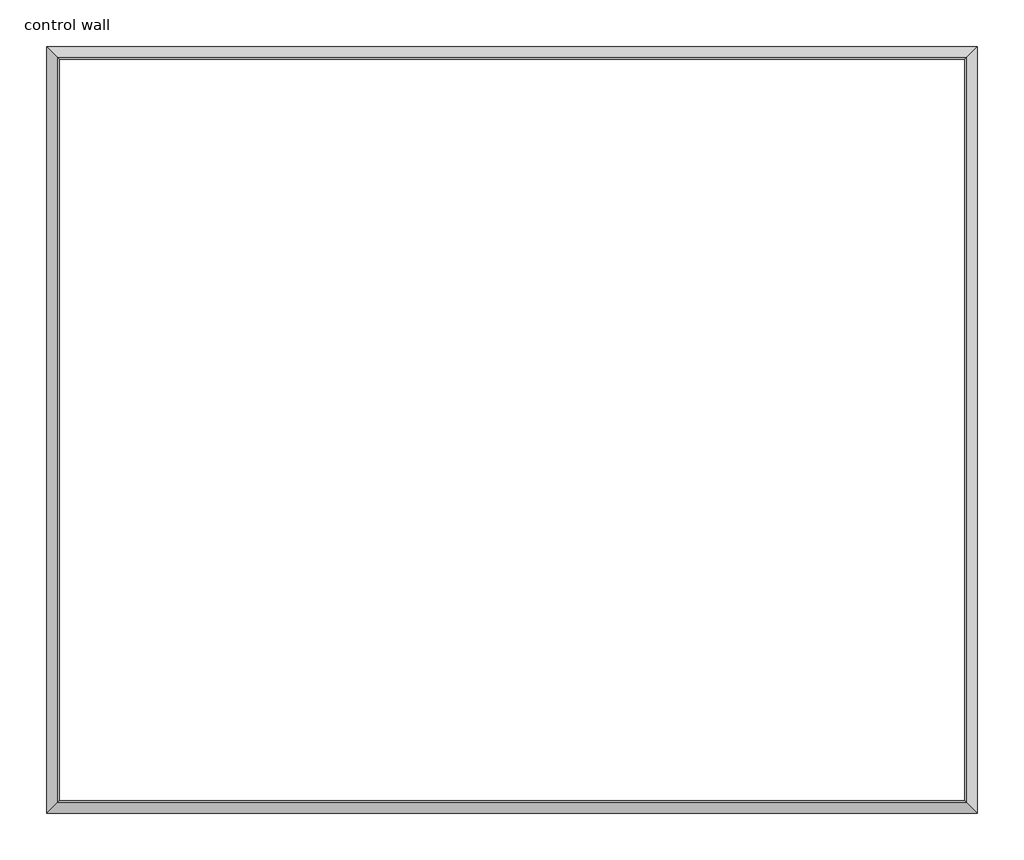
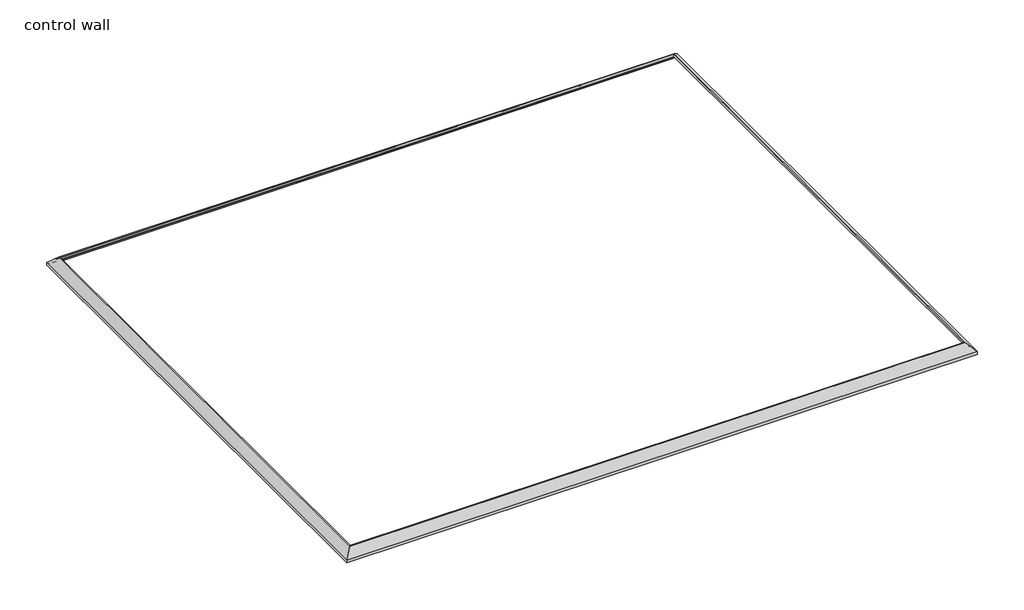
# One storey: 4 proxies.
"""IFC4 building model written with IfcOpenShell, lengths in millimetres."""

from ifc_helpers import new_model, si_unit, frame, origin, place, context, project, spatial, polyline, ellipse_curve, element, save
from ifc_brep_helpers import plane_surface, cylinder_surface, revolved_surface, advanced_brep

model = new_model("IFC4")

# Units and contexts
model_context = context("Model", 3, world=origin())
ifc_project = project(units=[si_unit("LENGTHUNIT", "METRE", prefix="MILLI")], contexts=[model_context])

# Site, building, storey
site = spatial("IfcSite", under=ifc_project)
building = spatial("IfcBuilding", under=site)
storey = spatial("IfcBuildingStorey", under=building, Name="control wall", Elevation=2133.6)

# Proxies
placement = place(None, origin())
element("IfcBuildingElementProxy", 1, Name="Wall Sweeps", at=placement, inside=storey, context=model_context, shape_type="AdvancedBrep", body=[
    advanced_brep(
    [(18403.6457418, -12619.9468508, 2982.9793892), (18403.6457418, -12619.9468508, 2959.1), (18412.6259979, -12628.9271069, 2959.1), (18412.6259979, -12628.9271069, 2968.0802561), (18426.0963821, -12642.3974911, 2981.5506403), (18426.0963821, -12642.3974911, 2987.9006403), (18446.6210619, -12662.922171, 3008.4253202), (18467.1457418, -12683.4468508, 3028.95), (18476.7690506, -12693.0701596, 3028.95), (18476.7690506, -12693.0701596, 3048.0), (18468.6663526, -12684.9674616, 3048.0), (23737.8743309, -12619.9468508, 2982.9793892), (23672.8537201, -12684.9674616, 3048.0), (23664.7510221, -12693.0701596, 3048.0), (23664.7510221, -12693.0701596, 3028.95), (23674.3743309, -12683.4468508, 3028.95), (23694.8990108, -12662.922171, 3008.4253202), (23715.4236906, -12642.3974911, 2987.9006403), (23715.4236906, -12642.3974911, 2981.5506403), (23728.8940748, -12628.9271069, 2968.0802561), (23728.8940748, -12628.9271069, 2959.1), (23737.8743309, -12619.9468508, 2959.1)],
    [
        (0, 1),
        (1, 2),
        (2, 3),
        (3, 4, ellipse_curve(frame((18426.0963821, -12642.3974911, 2968.0802561), z_axis=(0.7071067811865476, 0.7071067811865476, 0.0), x_axis=(0.7071067811865474, -0.7071067811865476, 0.0)), 19.05, 13.4703842)),
        (4, 5),
        (5, 6, ellipse_curve(frame((18426.0963821, -12642.3974911, 3008.4253202), z_axis=(-0.7071067811865476, -0.7071067811865476, 0.0), x_axis=(-0.7071067811865474, 0.7071067811865476, 0.0)), 29.0262806, 20.5246798)),
        (6, 7, ellipse_curve(frame((18467.1457418, -12683.4468508, 3008.4253202), z_axis=(0.7071067811865476, 0.7071067811865476, 0.0), x_axis=(0.7071067811865474, -0.7071067811865476, 0.0)), 29.0262806, 20.5246798)),
        (7, 8),
        (8, 9),
        (9, 10),
        (10, 0),
        (11, 12),
        (12, 13),
        (13, 14),
        (14, 15),
        (15, 16, ellipse_curve(frame((23674.3743309, -12683.4468508, 3008.4253202), z_axis=(-0.707106781186544, 0.7071067811865511, 0.0), x_axis=(0.7071067811865509, 0.7071067811865441, 0.0)), 29.0262806, 20.5246798)),
        (16, 17, ellipse_curve(frame((23715.4236906, -12642.3974911, 3008.4253202), z_axis=(0.707106781186544, -0.7071067811865511, 0.0), x_axis=(-0.7071067811865509, -0.7071067811865441, 0.0)), 29.0262806, 20.5246798)),
        (17, 18),
        (18, 19, ellipse_curve(frame((23715.4236906, -12642.3974911, 2968.0802561), z_axis=(-0.707106781186544, 0.7071067811865511, 0.0), x_axis=(0.7071067811865509, 0.7071067811865441, 0.0)), 19.05, 13.4703842)),
        (19, 20),
        (20, 21),
        (21, 11),
        (0, 11),
        (21, 1),
        (20, 2),
        (19, 3),
        (18, 4),
        (17, 5),
        (16, 6),
        (15, 7),
        (14, 8),
        (13, 9),
        (12, 10),
    ],
    [
        plane_surface(frame((18403.6457418, -12619.9468508, 3263.9), z_axis=(-0.7071067811865476, -0.7071067811865476, 0.0), x_axis=(0.7071067811865476, -0.7071067811865476, 0.0))),
        plane_surface(frame((23737.8743309, -12619.9468508, 3263.9), z_axis=(0.707106781186544, -0.7071067811865511, 0.0), x_axis=(-0.7071067811865511, -0.707106781186544, 0.0))),
        plane_surface(frame((18403.6457418, -12619.9468508, 2982.9793892), z_axis=(0.0, 1.0, 0.0), x_axis=(1.0, 0.0, 0.0))),
        plane_surface(frame((18403.6457418, -12619.9468508, 2959.1), z_axis=(0.0, 0.0, -1.0), x_axis=(1.0, 0.0, 0.0))),
        plane_surface(frame((18412.6259979, -12628.9271069, 2959.1), z_axis=(0.0, -1.0, 0.0), x_axis=(1.0, 0.0, 0.0))),
        revolved_surface(polyline([(23728.8940748, -12655.8678753, 2968.0802561), (18412.6259979, -12655.8678753, 2968.0802561)]), (18403.6457418, -12642.3974911, 2968.0802561), (1.0, 0.0, 0.0)),
        plane_surface(frame((18426.0963821, -12642.3974911, 2981.5506403), z_axis=(0.0, -1.0, 0.0), x_axis=(1.0, 0.0, 0.0))),
        cylinder_surface(frame((18403.6457418, -12642.3974911, 3008.4253202), z_axis=(-1.0, 0.0, 0.0), x_axis=(0.0, -1.0, 0.0)), 20.5246798),
        revolved_surface(polyline([(23694.8990108, -12703.971530600002, 3008.4253202), (18446.6210619, -12703.971530600002, 3008.4253202)]), (18403.6457418, -12683.4468508, 3008.4253202), (1.0, 0.0, 0.0)),
        plane_surface(frame((18467.1457418, -12683.4468508, 3028.95), z_axis=(0.0, 0.0, -1.0), x_axis=(1.0, 0.0, 0.0))),
        plane_surface(frame((18476.7690506, -12693.0701596, 3028.95), z_axis=(0.0, -1.0, 0.0), x_axis=(1.0, 0.0, 0.0))),
        plane_surface(frame((18476.7690506, -12693.0701596, 3048.0), z_axis=(0.0, 0.0, 1.0), x_axis=(1.0, 0.0, 0.0))),
        plane_surface(frame((18468.6663526, -12684.9674616, 3048.0), z_axis=(0.0, 0.707106781186547, 0.707106781186548), x_axis=(1.0, 0.0, 0.0))),
    ],
    [
        (0, [[1, 2, 3, 4, 5, 6, 7, 8, 9, 10, 11]]),
        (1, [[12, 13, 14, 15, 16, 17, 18, 19, 20, 21, 22]]),
        (2, [[-1, 23, -22, 24]]),
        (3, [[-2, -24, -21, 25]]),
        (4, [[-3, -25, -20, 26]]),
        (5, [[-4, -26, -19, 27]]),
        (6, [[-5, -27, -18, 28]]),
        (7, [[-6, -28, -17, 29]]),
        (8, [[-7, -29, -16, 30]]),
        (9, [[-8, -30, -15, 31]]),
        (10, [[-9, -31, -14, 32]]),
        (11, [[-10, -32, -13, 33]]),
        (12, [[-11, -33, -12, -23]]),
    ],
),
])
element("IfcBuildingElementProxy", 2, Name="Wall Sweeps", at=placement, inside=storey, context=model_context, shape_type="AdvancedBrep", body=[
    advanced_brep(
    [(18403.6457418, -17014.2559227, 2982.9793892), (18403.6457418, -17014.2559227, 2959.1), (18412.6259979, -17005.2756666, 2959.1), (18412.6259979, -17005.2756666, 2968.0802561), (18426.0963821, -16991.8052824, 2981.5506403), (18426.0963821, -16991.8052824, 2987.9006403), (18446.6210619, -16971.2806026, 3008.4253202), (18467.1457418, -16950.7559227, 3028.95), (18476.7690506, -16941.1326139, 3028.95), (18476.7690506, -16941.1326139, 3048.0), (18468.6663526, -16949.2353119, 3048.0), (18403.6457418, -12619.9468508, 2982.9793892), (18468.6663526, -12684.9674616, 3048.0), (18476.7690506, -12693.0701596, 3048.0), (18476.7690506, -12693.0701596, 3028.95), (18467.1457418, -12683.4468508, 3028.95), (18446.6210619, -12662.922171, 3008.4253202), (18426.0963821, -12642.3974911, 2987.9006403), (18426.0963821, -12642.3974911, 2981.5506403), (18412.6259979, -12628.9271069, 2968.0802561), (18412.6259979, -12628.9271069, 2959.1), (18403.6457418, -12619.9468508, 2959.1)],
    [
        (0, 1),
        (1, 2),
        (2, 3),
        (3, 4, ellipse_curve(frame((18426.0963821, -16991.8052824, 2968.0802561), z_axis=(-0.7071067811865476, 0.7071067811865476, 0.0), x_axis=(0.7071067811865476, 0.7071067811865474, 0.0)), 19.05, 13.4703842)),
        (4, 5),
        (5, 6, ellipse_curve(frame((18426.0963821, -16991.8052824, 3008.4253202), z_axis=(0.7071067811865476, -0.7071067811865476, 0.0), x_axis=(-0.7071067811865476, -0.7071067811865474, 0.0)), 29.0262806, 20.5246798)),
        (6, 7, ellipse_curve(frame((18467.1457418, -16950.7559227, 3008.4253202), z_axis=(-0.7071067811865476, 0.7071067811865476, 0.0), x_axis=(0.7071067811865476, 0.7071067811865474, 0.0)), 29.0262806, 20.5246798)),
        (7, 8),
        (8, 9),
        (9, 10),
        (10, 0),
        (11, 12),
        (12, 13),
        (13, 14),
        (14, 15),
        (15, 16, ellipse_curve(frame((18467.1457418, -12683.4468508, 3008.4253202), z_axis=(-0.7071067811865476, -0.7071067811865476, 0.0), x_axis=(-0.7071067811865476, 0.7071067811865474, 0.0)), 29.0262806, 20.5246798)),
        (16, 17, ellipse_curve(frame((18426.0963821, -12642.3974911, 3008.4253202), z_axis=(0.7071067811865476, 0.7071067811865476, 0.0), x_axis=(0.7071067811865476, -0.7071067811865474, 0.0)), 29.0262806, 20.5246798)),
        (17, 18),
        (18, 19, ellipse_curve(frame((18426.0963821, -12642.3974911, 2968.0802561), z_axis=(-0.7071067811865476, -0.7071067811865476, 0.0), x_axis=(-0.7071067811865476, 0.7071067811865474, 0.0)), 19.05, 13.4703842)),
        (19, 20),
        (20, 21),
        (21, 11),
        (0, 11),
        (21, 1),
        (20, 2),
        (19, 3),
        (18, 4),
        (17, 5),
        (16, 6),
        (15, 7),
        (14, 8),
        (13, 9),
        (12, 10),
    ],
    [
        plane_surface(frame((18403.6457418, -17014.2559227, 3263.9), z_axis=(0.7071067811865476, -0.7071067811865476, 0.0), x_axis=(0.7071067811865476, 0.7071067811865476, 0.0))),
        plane_surface(frame((18403.6457418, -12619.9468508, 3263.9), z_axis=(0.7071067811865476, 0.7071067811865476, 0.0), x_axis=(0.7071067811865476, -0.7071067811865476, 0.0))),
        plane_surface(frame((18403.6457418, -17014.2559227, 2982.9793892), z_axis=(-1.0, 0.0, 0.0), x_axis=(0.0, 1.0, 0.0))),
        plane_surface(frame((18403.6457418, -17014.2559227, 2959.1), z_axis=(0.0, 0.0, -1.0), x_axis=(0.0, 1.0, 0.0))),
        plane_surface(frame((18412.6259979, -17005.2756666, 2959.1), z_axis=(1.0, 0.0, 0.0), x_axis=(0.0, 1.0, 0.0))),
        revolved_surface(polyline([(18439.566766300002, -12628.9271069, 2968.0802561), (18439.566766300002, -17005.2756666, 2968.0802561)]), (18426.0963821, -17014.2559227, 2968.0802561), (0.0, 1.0, 0.0)),
        plane_surface(frame((18426.0963821, -16991.8052824, 2981.5506403), z_axis=(1.0, 0.0, 0.0), x_axis=(0.0, 1.0, 0.0))),
        cylinder_surface(frame((18426.0963821, -17014.2559227, 3008.4253202), z_axis=(0.0, -1.0, 0.0), x_axis=(1.0, 0.0, 0.0)), 20.5246798),
        revolved_surface(polyline([(18487.6704216, -12662.922170955117, 3008.4253202), (18487.6704216, -16971.2806026, 3008.4253202)]), (18467.1457418, -17014.2559227, 3008.4253202), (0.0, 1.0, 0.0)),
        plane_surface(frame((18467.1457418, -16950.7559227, 3028.95), z_axis=(0.0, 0.0, -1.0), x_axis=(0.0, 1.0, 0.0))),
        plane_surface(frame((18476.7690506, -16941.1326139, 3028.95), z_axis=(1.0, 0.0, 0.0), x_axis=(0.0, 1.0, 0.0))),
        plane_surface(frame((18476.7690506, -16941.1326139, 3048.0), z_axis=(0.0, 0.0, 1.0), x_axis=(0.0, 1.0, 0.0))),
        plane_surface(frame((18468.6663526, -16949.2353119, 3048.0), z_axis=(-0.707106781186547, 0.0, 0.707106781186548), x_axis=(0.0, 1.0, 0.0))),
    ],
    [
        (0, [[1, 2, 3, 4, 5, 6, 7, 8, 9, 10, 11]]),
        (1, [[12, 13, 14, 15, 16, 17, 18, 19, 20, 21, 22]]),
        (2, [[-1, 23, -22, 24]]),
        (3, [[-2, -24, -21, 25]]),
        (4, [[-3, -25, -20, 26]]),
        (5, [[-4, -26, -19, 27]]),
        (6, [[-5, -27, -18, 28]]),
        (7, [[-6, -28, -17, 29]]),
        (8, [[-7, -29, -16, 30]]),
        (9, [[-8, -30, -15, 31]]),
        (10, [[-9, -31, -14, 32]]),
        (11, [[-10, -32, -13, 33]]),
        (12, [[-11, -33, -12, -23]]),
    ],
),
])
element("IfcBuildingElementProxy", 3, Name="Wall Sweeps", at=placement, inside=storey, context=model_context, shape_type="AdvancedBrep", body=[
    advanced_brep(
    [(23737.8743309, -17014.2559227, 2982.9793892), (23737.8743309, -17014.2559227, 2959.1), (23728.8940748, -17005.2756666, 2959.1), (23728.8940748, -17005.2756666, 2968.0802561), (23715.4236906, -16991.8052824, 2981.5506403), (23715.4236906, -16991.8052824, 2987.9006403), (23694.8990108, -16971.2806026, 3008.4253202), (23674.3743309, -16950.7559227, 3028.95), (23664.7510221, -16941.1326139, 3028.95), (23664.7510221, -16941.1326139, 3048.0), (23672.8537201, -16949.2353119, 3048.0), (18403.6457418, -17014.2559227, 2982.9793892), (18468.6663526, -16949.2353119, 3048.0), (18476.7690506, -16941.1326139, 3048.0), (18476.7690506, -16941.1326139, 3028.95), (18467.1457418, -16950.7559227, 3028.95), (18446.6210619, -16971.2806026, 3008.4253202), (18426.0963821, -16991.8052824, 2987.9006403), (18426.0963821, -16991.8052824, 2981.5506403), (18412.6259979, -17005.2756666, 2968.0802561), (18412.6259979, -17005.2756666, 2959.1), (18403.6457418, -17014.2559227, 2959.1)],
    [
        (0, 1),
        (1, 2),
        (2, 3),
        (3, 4, ellipse_curve(frame((23715.4236906, -16991.8052824, 2968.0802561), z_axis=(-0.707106781186544, -0.7071067811865511, 0.0), x_axis=(-0.7071067811865509, 0.7071067811865441, 0.0)), 19.05, 13.4703842)),
        (4, 5),
        (5, 6, ellipse_curve(frame((23715.4236906, -16991.8052824, 3008.4253202), z_axis=(0.707106781186544, 0.7071067811865511, 0.0), x_axis=(0.7071067811865509, -0.7071067811865441, 0.0)), 29.0262806, 20.5246798)),
        (6, 7, ellipse_curve(frame((23674.3743309, -16950.7559227, 3008.4253202), z_axis=(-0.707106781186544, -0.7071067811865511, 0.0), x_axis=(-0.7071067811865509, 0.7071067811865441, 0.0)), 29.0262806, 20.5246798)),
        (7, 8),
        (8, 9),
        (9, 10),
        (10, 0),
        (11, 12),
        (12, 13),
        (13, 14),
        (14, 15),
        (15, 16, ellipse_curve(frame((18467.1457418, -16950.7559227, 3008.4253202), z_axis=(0.7071067811865476, -0.7071067811865476, 0.0), x_axis=(-0.7071067811865474, -0.7071067811865476, 0.0)), 29.0262806, 20.5246798)),
        (16, 17, ellipse_curve(frame((18426.0963821, -16991.8052824, 3008.4253202), z_axis=(-0.7071067811865476, 0.7071067811865476, 0.0), x_axis=(0.7071067811865474, 0.7071067811865476, 0.0)), 29.0262806, 20.5246798)),
        (17, 18),
        (18, 19, ellipse_curve(frame((18426.0963821, -16991.8052824, 2968.0802561), z_axis=(0.7071067811865476, -0.7071067811865476, 0.0), x_axis=(-0.7071067811865474, -0.7071067811865476, 0.0)), 19.05, 13.4703842)),
        (19, 20),
        (20, 21),
        (21, 11),
        (0, 11),
        (21, 1),
        (20, 2),
        (19, 3),
        (18, 4),
        (17, 5),
        (16, 6),
        (15, 7),
        (14, 8),
        (13, 9),
        (12, 10),
    ],
    [
        plane_surface(frame((23737.8743309, -17014.2559227, 3263.9), z_axis=(0.707106781186544, 0.7071067811865511, 0.0), x_axis=(-0.7071067811865511, 0.707106781186544, 0.0))),
        plane_surface(frame((18403.6457418, -17014.2559227, 3263.9), z_axis=(-0.7071067811865476, 0.7071067811865476, 0.0), x_axis=(0.7071067811865476, 0.7071067811865476, 0.0))),
        plane_surface(frame((23737.8743309, -17014.2559227, 2982.9793892), z_axis=(0.0, -1.0, 0.0), x_axis=(-1.0, 0.0, 0.0))),
        plane_surface(frame((23737.8743309, -17014.2559227, 2959.1), z_axis=(0.0, 0.0, -1.0), x_axis=(-1.0, 0.0, 0.0))),
        plane_surface(frame((23728.8940748, -17005.2756666, 2959.1), z_axis=(0.0, 1.0, 0.0), x_axis=(-1.0, 0.0, 0.0))),
        revolved_surface(polyline([(18412.6259979, -16978.3348982, 2968.0802561), (23728.8940748, -16978.3348982, 2968.0802561)]), (23737.8743309, -16991.8052824, 2968.0802561), (-1.0, 0.0, 0.0)),
        plane_surface(frame((23715.4236906, -16991.8052824, 2981.5506403), z_axis=(0.0, 1.0, 0.0), x_axis=(-1.0, 0.0, 0.0))),
        cylinder_surface(frame((23737.8743309, -16991.8052824, 3008.4253202), z_axis=(1.0, 0.0, 0.0), x_axis=(0.0, 1.0, 0.0)), 20.5246798),
        revolved_surface(polyline([(18446.6210619, -16930.231242899998, 3008.4253202), (23694.8990108, -16930.231242899998, 3008.4253202)]), (23737.8743309, -16950.7559227, 3008.4253202), (-1.0, 0.0, 0.0)),
        plane_surface(frame((23674.3743309, -16950.7559227, 3028.95), z_axis=(0.0, 0.0, -1.0), x_axis=(-1.0, 0.0, 0.0))),
        plane_surface(frame((23664.7510221, -16941.1326139, 3028.95), z_axis=(0.0, 1.0, 0.0), x_axis=(-1.0, 0.0, 0.0))),
        plane_surface(frame((23664.7510221, -16941.1326139, 3048.0), z_axis=(0.0, 0.0, 1.0), x_axis=(-1.0, 0.0, 0.0))),
        plane_surface(frame((23672.8537201, -16949.2353119, 3048.0), z_axis=(0.0, -0.707106781186547, 0.707106781186548), x_axis=(-1.0, 0.0, 0.0))),
    ],
    [
        (0, [[1, 2, 3, 4, 5, 6, 7, 8, 9, 10, 11]]),
        (1, [[12, 13, 14, 15, 16, 17, 18, 19, 20, 21, 22]]),
        (2, [[-1, 23, -22, 24]]),
        (3, [[-2, -24, -21, 25]]),
        (4, [[-3, -25, -20, 26]]),
        (5, [[-4, -26, -19, 27]]),
        (6, [[-5, -27, -18, 28]]),
        (7, [[-6, -28, -17, 29]]),
        (8, [[-7, -29, -16, 30]]),
        (9, [[-8, -30, -15, 31]]),
        (10, [[-9, -31, -14, 32]]),
        (11, [[-10, -32, -13, 33]]),
        (12, [[-11, -33, -12, -23]]),
    ],
),
])
element("IfcBuildingElementProxy", 4, Name="Wall Sweeps", at=placement, inside=storey, context=model_context, shape_type="AdvancedBrep", body=[
    advanced_brep(
    [(23737.8743309, -12619.9468508, 2982.9793892), (23737.8743309, -12619.9468508, 2959.1), (23728.8940748, -12628.9271069, 2959.1), (23728.8940748, -12628.9271069, 2968.0802561), (23715.4236906, -12642.3974911, 2981.5506403), (23715.4236906, -12642.3974911, 2987.9006403), (23694.8990108, -12662.922171, 3008.4253202), (23674.3743309, -12683.4468508, 3028.95), (23664.7510221, -12693.0701596, 3028.95), (23664.7510221, -12693.0701596, 3048.0), (23672.8537201, -12684.9674616, 3048.0), (23737.8743309, -17014.2559227, 2982.9793892), (23672.8537201, -16949.2353119, 3048.0), (23664.7510221, -16941.1326139, 3048.0), (23664.7510221, -16941.1326139, 3028.95), (23674.3743309, -16950.7559227, 3028.95), (23694.8990108, -16971.2806026, 3008.4253202), (23715.4236906, -16991.8052824, 2987.9006403), (23715.4236906, -16991.8052824, 2981.5506403), (23728.8940748, -17005.2756666, 2968.0802561), (23728.8940748, -17005.2756666, 2959.1), (23737.8743309, -17014.2559227, 2959.1)],
    [
        (0, 1),
        (1, 2),
        (2, 3),
        (3, 4, ellipse_curve(frame((23715.4236906, -12642.3974911, 2968.0802561), z_axis=(0.707106781186544, -0.7071067811865511, 0.0), x_axis=(-0.7071067811865511, -0.7071067811865438, 0.0)), 19.05, 13.4703842)),
        (4, 5),
        (5, 6, ellipse_curve(frame((23715.4236906, -12642.3974911, 3008.4253202), z_axis=(-0.707106781186544, 0.7071067811865511, 0.0), x_axis=(0.7071067811865511, 0.7071067811865438, 0.0)), 29.0262806, 20.5246798)),
        (6, 7, ellipse_curve(frame((23674.3743309, -12683.4468508, 3008.4253202), z_axis=(0.707106781186544, -0.7071067811865511, 0.0), x_axis=(-0.7071067811865511, -0.7071067811865438, 0.0)), 29.0262806, 20.5246798)),
        (7, 8),
        (8, 9),
        (9, 10),
        (10, 0),
        (11, 12),
        (12, 13),
        (13, 14),
        (14, 15),
        (15, 16, ellipse_curve(frame((23674.3743309, -16950.7559227, 3008.4253202), z_axis=(0.707106781186544, 0.7071067811865511, 0.0), x_axis=(0.7071067811865511, -0.7071067811865438, 0.0)), 29.0262806, 20.5246798)),
        (16, 17, ellipse_curve(frame((23715.4236906, -16991.8052824, 3008.4253202), z_axis=(-0.707106781186544, -0.7071067811865511, 0.0), x_axis=(-0.7071067811865511, 0.7071067811865438, 0.0)), 29.0262806, 20.5246798)),
        (17, 18),
        (18, 19, ellipse_curve(frame((23715.4236906, -16991.8052824, 2968.0802561), z_axis=(0.707106781186544, 0.7071067811865511, 0.0), x_axis=(0.7071067811865511, -0.7071067811865438, 0.0)), 19.05, 13.4703842)),
        (19, 20),
        (20, 21),
        (21, 11),
        (0, 11),
        (21, 1),
        (20, 2),
        (19, 3),
        (18, 4),
        (17, 5),
        (16, 6),
        (15, 7),
        (14, 8),
        (13, 9),
        (12, 10),
    ],
    [
        plane_surface(frame((23737.8743309, -12619.9468508, 3263.9), z_axis=(-0.707106781186544, 0.7071067811865511, 0.0), x_axis=(-0.7071067811865511, -0.707106781186544, 0.0))),
        plane_surface(frame((23737.8743309, -17014.2559227, 3263.9), z_axis=(-0.707106781186544, -0.7071067811865511, 0.0), x_axis=(-0.7071067811865511, 0.707106781186544, 0.0))),
        plane_surface(frame((23737.8743309, -12619.9468508, 2982.9793892), z_axis=(1.0, 0.0, 0.0), x_axis=(0.0, -1.0, 0.0))),
        plane_surface(frame((23737.8743309, -12619.9468508, 2959.1), z_axis=(0.0, 0.0, -1.0), x_axis=(0.0, -1.0, 0.0))),
        plane_surface(frame((23728.8940748, -12628.9271069, 2959.1), z_axis=(-1.0, 0.0, 0.0), x_axis=(0.0, -1.0, 0.0))),
        revolved_surface(polyline([(23701.9533064, -17005.2756666, 2968.0802561), (23701.9533064, -12628.9271069, 2968.0802561)]), (23715.4236906, -12619.9468508, 2968.0802561), (0.0, -1.0, 0.0)),
        plane_surface(frame((23715.4236906, -12642.3974911, 2981.5506403), z_axis=(-1.0, 0.0, 0.0), x_axis=(0.0, -1.0, 0.0))),
        cylinder_surface(frame((23715.4236906, -12619.9468508, 3008.4253202), z_axis=(0.0, 1.0, 0.0), x_axis=(-1.0, 0.0, 0.0)), 20.5246798),
        revolved_surface(polyline([(23653.849651099998, -16971.2806026, 3008.4253202), (23653.849651099998, -12662.922170955117, 3008.4253202)]), (23674.3743309, -12619.9468508, 3008.4253202), (0.0, -1.0, 0.0)),
        plane_surface(frame((23674.3743309, -12683.4468508, 3028.95), z_axis=(0.0, 0.0, -1.0), x_axis=(0.0, -1.0, 0.0))),
        plane_surface(frame((23664.7510221, -12693.0701596, 3028.95), z_axis=(-1.0, 0.0, 0.0), x_axis=(0.0, -1.0, 0.0))),
        plane_surface(frame((23664.7510221, -12693.0701596, 3048.0), z_axis=(0.0, 0.0, 1.0), x_axis=(0.0, -1.0, 0.0))),
        plane_surface(frame((23672.8537201, -12684.9674616, 3048.0), z_axis=(0.707106781186547, 0.0, 0.707106781186548), x_axis=(0.0, -1.0, 0.0))),
    ],
    [
        (0, [[1, 2, 3, 4, 5, 6, 7, 8, 9, 10, 11]]),
        (1, [[12, 13, 14, 15, 16, 17, 18, 19, 20, 21, 22]]),
        (2, [[-1, 23, -22, 24]]),
        (3, [[-2, -24, -21, 25]]),
        (4, [[-3, -25, -20, 26]]),
        (5, [[-4, -26, -19, 27]]),
        (6, [[-5, -27, -18, 28]]),
        (7, [[-6, -28, -17, 29]]),
        (8, [[-7, -29, -16, 30]]),
        (9, [[-8, -30, -15, 31]]),
        (10, [[-9, -31, -14, 32]]),
        (11, [[-10, -32, -13, 33]]),
        (12, [[-11, -33, -12, -23]]),
    ],
),
])

save(model, "model.ifc")
